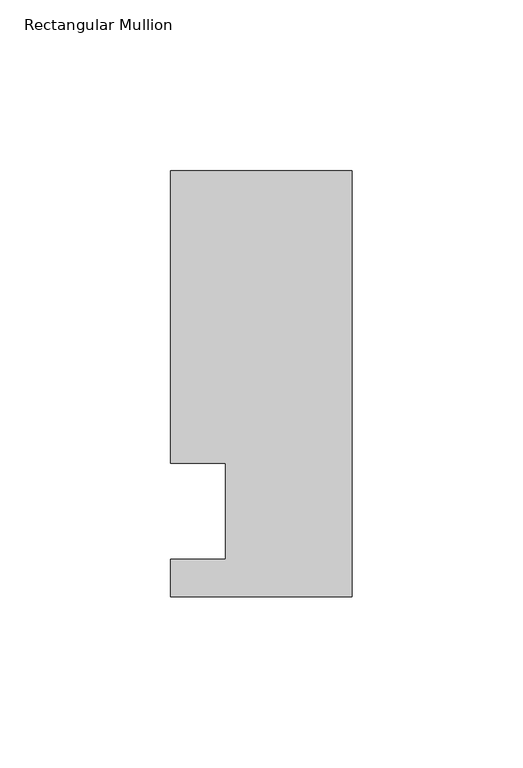
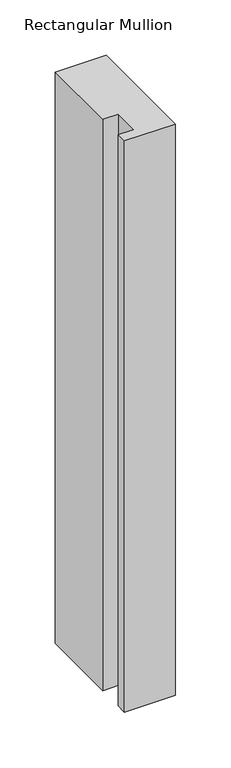
"""IFC4 building model written with IfcOpenShell, lengths in millimetres: member geometry, Rectangular Mullion."""

from ifc_helpers import new_model, si_unit, frame, origin, place, context, project, spatial, polyline, outline, extrude, source, transform, mapped, element, save


def rectangular_mullion_82c4ae64(model_context):
    return source(origin(), model_context, "Body", "SweptSolid", [
        extrude(outline(polyline([(-37.0, -13.9999453), (-37.0, 14.0000547), (-53.0, 14.0000547), (-53.0, 99.5000547), (0.0, 99.5000547), (0.0, -24.9999453), (-53.0, -24.9999453), (-53.0, -13.9999453), (-37.0, -13.9999453)])), frame((0.0, 0.0, -629.2487586), z_axis=(0.0, 0.0, 1.0), x_axis=(1.0, 0.0, 0.0)), (0.0, 0.0, 1.0), 629.2487586),
    ])


if __name__ == "__main__":
    model = new_model("IFC4")
    model_context = context("Model", 3, world=origin())
    ifc_project = project(units=[si_unit("LENGTHUNIT", "METRE", prefix="MILLI")], contexts=[model_context])
    site = spatial("IfcSite", under=ifc_project)
    building = spatial("IfcBuilding", under=site)
    placement = place(None, origin())
    rectangular_mullion_shape = rectangular_mullion_82c4ae64(model_context)
    element("IfcMember", 1, ObjectType="Rectangular Mullion", at=placement, inside=building, context=model_context, shape_type="MappedRepresentation", body=[
        mapped(rectangular_mullion_shape, transform((0.0, 0.0, 0.0), x_axis=(1.0, 0.0, 0.0), y_axis=(0.0, 1.0, 0.0), z_axis=(0.0, 0.0, 1.0))),
    ])
    save(model, "model.ifc")
